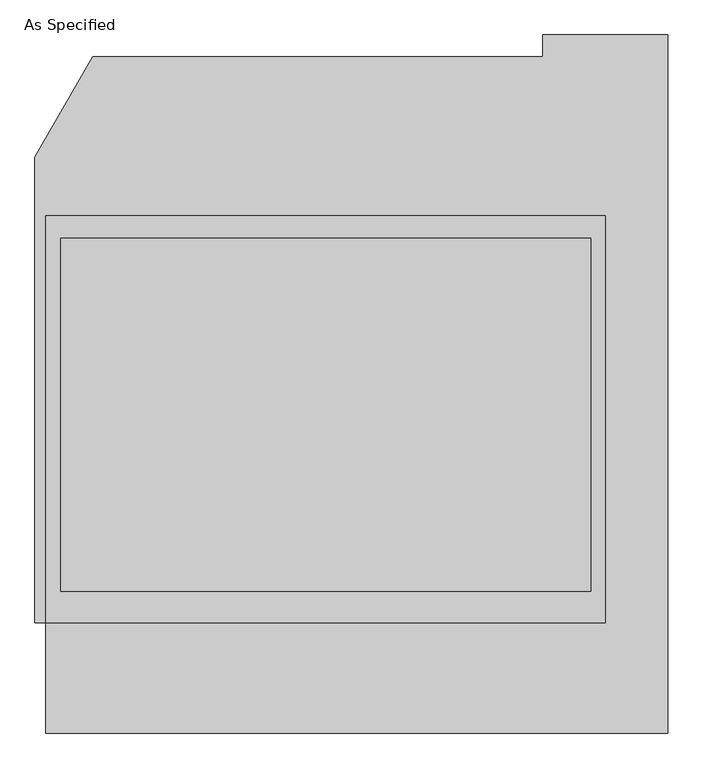
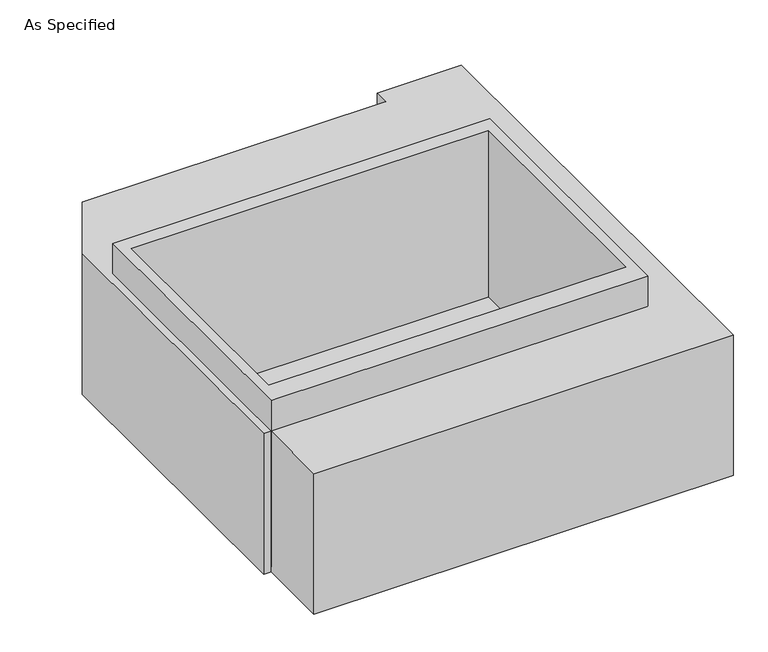
"""IFC4 building model written with IfcOpenShell, lengths in millimetres: proxy geometry, As Specified."""

import ifcopenshell
import ifcopenshell.guid

model = None  # the IFC model being written
_history = None  # IfcOwnerHistory: only IFC2X3 demands one
_inside = {}  # id of a spatial element -> (the spatial element, [elements in it])
_under = {}  # id of a project, library or spatial element -> (it, [spatial elements below it])
_declared = {}  # id of a project -> (the project, [libraries it declares])
_typed = {}  # id of a type object -> (the type object, [elements of that type])
_made_of = {}  # id of a material, layer set ... -> (it, [elements and type objects made of it])


def new_model(schema):
    """Start an empty IFC model of exactly this schema.

    Asked for "IFC4X3", IfcOpenShell would pick the latest addendum, in which some entities
    have other attributes; the version numbers below select the first issue.
    IFC2X3 requires an IfcOwnerHistory on every rooted entity: one is made here for all.
    """
    global model, _history
    if schema == "IFC4X3":
        model = ifcopenshell.file(schema_version=(4, 3, 0, 0))
    else:
        model = ifcopenshell.file(schema=schema)
    _inside.clear()
    _under.clear()
    _declared.clear()
    _typed.clear()
    _made_of.clear()
    _history = None
    if model.schema == "IFC2X3":
        org = make("IfcOrganization", Name="unknown")
        user = make(
            "IfcPersonAndOrganization",
            ThePerson=make("IfcPerson", FamilyName="unknown"),
            TheOrganization=org,
        )
        app = make(
            "IfcApplication",
            ApplicationDeveloper=org,
            Version="unknown",
            ApplicationFullName="unknown",
            ApplicationIdentifier="unknown",
        )
        _history = make(
            "IfcOwnerHistory",
            OwningUser=user,
            OwningApplication=app,
            ChangeAction="ADDED",
            CreationDate=0,
        )
    return model


def make(cls, **values):
    """One entity of the class cls with the attributes given. An attribute that is None is left unset."""
    return model.create_entity(
        cls, **{name: value for name, value in values.items() if value is not None}
    )


def rooted(cls, **values):
    """An entity with a GlobalId (a new one), such as an element, a storey or a relation."""
    return make(cls, GlobalId=ifcopenshell.guid.new(), OwnerHistory=_history, **values)


def si_unit(unit_type, name, prefix=None):
    """IfcSIUnit, for example si_unit("LENGTHUNIT", "METRE", prefix="MILLI")."""
    return make("IfcSIUnit", UnitType=unit_type, Prefix=prefix, Name=name)


def assignment(units):
    """IfcUnitAssignment: the units of a project."""
    return None if units is None else make("IfcUnitAssignment", Units=units)


def point(xyz):
    """IfcCartesianPoint."""
    return None if xyz is None else make("IfcCartesianPoint", Coordinates=xyz)


def direction(xyz):
    """IfcDirection."""
    return None if xyz is None else make("IfcDirection", DirectionRatios=xyz)


def frame(location, z_axis=None, x_axis=None):
    """IfcAxis2Placement3D, a coordinate frame: its origin and axes. An axis left out is left unset."""
    return make(
        "IfcAxis2Placement3D",
        Location=point(location),
        Axis=direction(z_axis),
        RefDirection=direction(x_axis),
    )


def origin():
    """The frame at (0, 0, 0) with its axes left unset."""
    return frame((0.0, 0.0, 0.0))


def place(relative_to, where):
    """IfcLocalPlacement: puts the frame where relative to a parent placement (None: the world)."""
    return make(
        "IfcLocalPlacement", PlacementRelTo=relative_to, RelativePlacement=where
    )


def context(
    kind, dimensions, precision=None, world=None, true_north=None, identifier=None
):
    """IfcGeometricRepresentationContext, for example the 3D "Model" context."""
    return make(
        "IfcGeometricRepresentationContext",
        ContextIdentifier=identifier,
        ContextType=kind,
        CoordinateSpaceDimension=dimensions,
        Precision=precision,
        WorldCoordinateSystem=world,
        TrueNorth=true_north,
    )


def project(units=None, contexts=None):
    """IfcProject with its units and contexts."""
    return rooted(
        "IfcProject",
        Name="project",
        RepresentationContexts=contexts,
        UnitsInContext=assignment(units),
    )


def spatial(cls, under=None, at=None, **own):
    """A site, building, storey or space (cls), placed at a placement, below another one or the project."""
    s = rooted(cls, ObjectPlacement=at, **own)
    if under is not None:
        _under.setdefault(under.id(), (under, []))[1].append(s)
    return s


def polyline(points):
    """IfcPolyline through the points."""
    return make("IfcPolyline", Points=[point(p) for p in points])


def outline(outer, holes=None, kind="AREA"):
    """IfcArbitraryClosedProfileDef: a profile drawn as a closed curve; with holes, ...WithVoids."""
    if holes is None:
        return make("IfcArbitraryClosedProfileDef", ProfileType=kind, OuterCurve=outer)
    return make(
        "IfcArbitraryProfileDefWithVoids",
        ProfileType=kind,
        OuterCurve=outer,
        InnerCurves=holes,
    )


def extrude(swept, where, along, depth):
    """IfcExtrudedAreaSolid: the profile swept, set in the frame where, extruded along a direction by depth."""
    return make(
        "IfcExtrudedAreaSolid",
        SweptArea=swept,
        Position=where,
        ExtrudedDirection=direction(along),
        Depth=depth,
    )


def faces_of(points, faces, orient=None, outer=None):
    """IfcFace entities. A face is a list of loops; a loop is a list of indices into points, from 0.

    orient and outer hold one flag for each loop. By default every Orientation is true, the
    first loop of a face is its IfcFaceOuterBound and the others are IfcFaceBound.
    """
    made = []
    for i, loops in enumerate(faces):
        bounds = []
        for j, loop in enumerate(loops):
            is_outer = j == 0 if outer is None else outer[i][j]
            bounds.append(
                make(
                    "IfcFaceOuterBound" if is_outer else "IfcFaceBound",
                    Bound=make("IfcPolyLoop", Polygon=[points[k] for k in loop]),
                    Orientation=True if orient is None else orient[i][j],
                )
            )
        made.append(make("IfcFace", Bounds=bounds))
    return made


def faceted_brep(points, faces, orient=None, outer=None, voids=None):
    """IfcFacetedBrep: a solid bounded by flat faces; with voids (closed shells), ...WithVoids."""
    shared = [point(p) for p in points]
    hull = make("IfcClosedShell", CfsFaces=faces_of(shared, faces, orient, outer))
    if voids is None:
        return make("IfcFacetedBrep", Outer=hull)
    return make(
        "IfcFacetedBrepWithVoids",
        Outer=hull,
        Voids=[
            make(cls, CfsFaces=faces_of(shared, fs, o, b)) for cls, fs, o, b in voids
        ],
    )


def shape(context_of_items, identifier, shape_type, items):
    """IfcShapeRepresentation: the items that make up one representation, for example the "Body"."""
    return make(
        "IfcShapeRepresentation",
        ContextOfItems=context_of_items,
        RepresentationIdentifier=identifier,
        RepresentationType=shape_type,
        Items=items,
    )


def source(mapping_origin, context_of_items, identifier, shape_type, items):
    """IfcRepresentationMap: a shape defined once, which mapped items show again and again."""
    return make(
        "IfcRepresentationMap",
        MappingOrigin=mapping_origin,
        MappedRepresentation=shape(context_of_items, identifier, shape_type, items),
    )


def transform(
    local_origin,
    x_axis=None,
    y_axis=None,
    z_axis=None,
    scale=None,
    scale2=None,
    scale3=None,
    uniform=True,
):
    """IfcCartesianTransformationOperator3D, or its non-uniform kind. x_axis, y_axis, z_axis: its Axis1, 2, 3."""
    if uniform:
        return make(
            "IfcCartesianTransformationOperator3D",
            Axis1=direction(x_axis),
            Axis2=direction(y_axis),
            LocalOrigin=point(local_origin),
            Scale=scale,
            Axis3=direction(z_axis),
        )
    return make(
        "IfcCartesianTransformationOperator3DnonUniform",
        Axis1=direction(x_axis),
        Axis2=direction(y_axis),
        LocalOrigin=point(local_origin),
        Scale=scale,
        Axis3=direction(z_axis),
        Scale2=scale2,
        Scale3=scale3,
    )


def mapped(mapping_source, mapping_target):
    """IfcMappedItem: shows the shape of a source again, moved by a transform."""
    return make(
        "IfcMappedItem", MappingSource=mapping_source, MappingTarget=mapping_target
    )


def made_of(thing, what):
    """Note that an element or type object is made of a material, layer set ...; save() writes the relation."""
    if what is not None:
        _made_of.setdefault(what.id(), (what, []))[1].append(thing)
    return thing


def element(
    cls,
    number,
    at=None,
    inside=None,
    cuts=None,
    type_object=None,
    material=None,
    context=None,
    identifier="Body",
    shape_type=None,
    held_by="IfcProductDefinitionShape",
    body=None,
    shapes=None,
    **own,
):
    """One element of the class cls, such as IfcWall. Its Tag is "e" and its number.

    at: its placement. inside: the storey or other place that contains it. cuts: it is an
    opening in that element (IfcRelVoidsElement). A single representation is given by context,
    identifier, shape_type and body (its items); several are given by shapes. held_by: the class
    of the entity that holds the representations. save() writes the other relations.
    """
    e = rooted(cls, Tag="e%d" % number, ObjectPlacement=at, **own)
    if body is not None:
        shapes = [shape(context, identifier, shape_type, body)]
    if shapes is not None:
        e.Representation = make(held_by, Representations=shapes)
    if inside is not None:
        _inside.setdefault(inside.id(), (inside, []))[1].append(e)
    if cuts is not None:
        rooted(
            "IfcRelVoidsElement", RelatingBuildingElement=cuts, RelatedOpeningElement=e
        )
    if type_object is not None:
        _typed.setdefault(type_object.id(), (type_object, []))[1].append(e)
    return made_of(e, material)


def aggregate(whole, parts):
    """IfcRelAggregates: a whole, such as a stair, and the parts it consists of."""
    return rooted("IfcRelAggregates", RelatingObject=whole, RelatedObjects=parts)


def save(model, path):
    """Write the relations noted so far, then the file.

    IfcRelAggregates (storeys below a building ...), IfcRelContainedInSpatialStructure (elements
    in a storey), IfcRelDefinesByType, IfcRelAssociatesMaterial and IfcRelDeclares: one each for
    every whole, place, type object, material and project.
    """
    for whole, parts in _under.values():
        aggregate(whole, parts)
    for where, things in _inside.values():
        rooted(
            "IfcRelContainedInSpatialStructure",
            RelatedElements=things,
            RelatingStructure=where,
        )
    for kind, things in _typed.values():
        rooted("IfcRelDefinesByType", RelatedObjects=things, RelatingType=kind)
    for what, things in _made_of.values():
        rooted("IfcRelAssociatesMaterial", RelatedObjects=things, RelatingMaterial=what)
    for by, libraries in _declared.values():
        rooted("IfcRelDeclares", RelatingContext=by, RelatedDefinitions=libraries)
    model.write(path)


def as_specified_7cd8705a(model_context):
    return source(origin(), model_context, "Body", "SolidModel", [
        extrude(outline(polyline([(965.2, 617.8351562), (965.2, -785.5148438), (-965.2, -785.5148438), (-965.2, 617.8351562), (965.2, 617.8351562)]), holes=[polyline([(-914.4, 541.6748437), (-914.4, -677.5251563), (914.4, -677.5251563), (914.4, 541.6748437), (-914.4, 541.6748437)])]), frame((0.0, 0.0, -762.0), z_axis=(0.0, 0.0, 1.0), x_axis=(1.0, 0.0, 0.0)), (0.0, 0.0, 1.0), 901.7),
        faceted_brep([(-965.2, -1166.5148438, -787.4), (-965.2, -785.5148438, -787.4), (-1003.3, -785.5148438, -787.4), (-1003.3, 821.0748437, -787.4), (-803.860123, 1166.5148437, -787.4), (749.3, 1166.5148437, -787.4), (749.3, 1242.6751562, -787.4), (1181.1, 1242.6751562, -787.4), (1181.1, -1166.5148438, -787.4), (-965.2, -785.5148438, -25.4), (-965.2, -1166.5148438, -25.4), (1181.1, -1166.5148438, -25.4), (1181.1, 1242.6751562, -25.4), (749.3, 1242.6751562, -25.4), (749.3, 1166.5148437, -25.4), (-803.860123, 1166.5148437, -25.4), (-1003.3, 821.0748437, -25.4), (-1003.3, -785.5148438, -25.4), (914.4, 541.6748437, -25.4), (914.4, -677.5251563, -25.4), (-914.4, -677.5251563, -25.4), (-914.4, 541.6748437, -25.4), (914.4, 541.6748437, -762.0), (-914.4, 541.6748437, -762.0), (-914.4, -677.5251563, -762.0), (914.4, -677.5251563, -762.0)], [[[0, 1, 2, 3, 4, 5, 6, 7, 8]], [[9, 10, 11, 12, 13, 14, 15, 16, 17], [18, 19, 20, 21]], [[4, 15, 14, 5]], [[2, 17, 16, 3]], [[17, 2, 1, 9]], [[1, 0, 10, 9]], [[10, 0, 8, 11]], [[4, 3, 16, 15]], [[22, 23, 24, 25]], [[22, 25, 19, 18]], [[25, 24, 20, 19]], [[24, 23, 21, 20]], [[23, 22, 18, 21]], [[8, 7, 12, 11]], [[6, 5, 14, 13]], [[7, 6, 13, 12]]]),
    ])


if __name__ == "__main__":
    model = new_model("IFC4")
    model_context = context("Model", 3, world=origin())
    ifc_project = project(units=[si_unit("LENGTHUNIT", "METRE", prefix="MILLI")], contexts=[model_context])
    site = spatial("IfcSite", under=ifc_project)
    building = spatial("IfcBuilding", under=site)
    placement = place(None, origin())
    as_specified_shape = as_specified_7cd8705a(model_context)
    element("IfcBuildingElementProxy", 1, Name="As Specified", ObjectType="As Specified", at=placement, inside=building, context=model_context, shape_type="MappedRepresentation", body=[
        mapped(as_specified_shape, transform((0.0, 0.0, 0.0), x_axis=(1.0, 0.0, 0.0), y_axis=(0.0, 1.0, 0.0), z_axis=(0.0, 0.0, 1.0))),
    ])
    save(model, "model.ifc")
